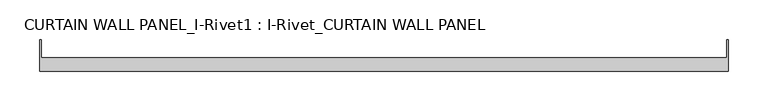
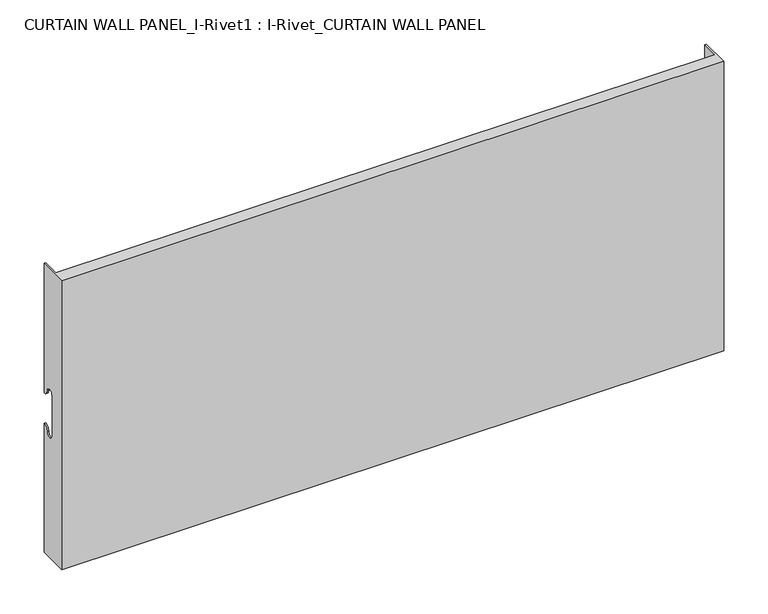
"""IFC4 building model written with IfcOpenShell, lengths in millimetres: plate geometry, CURTAIN WALL PANEL_I-Rivet1 : I-Rivet_CURTAIN WALL PANEL."""

from ifc_helpers import new_model, si_unit, frame, origin, place, context, project, spatial, polyline, circle_curve, source, transform, mapped, element, save
from ifc_brep_helpers import plane_surface, cylinder_surface, revolved_surface, advanced_brep


def curtain_wall_panel_i_rivet1_i_rivet_curtain_wall_panel_86b9c471(model_context):
    return source(origin(), model_context, "Body", "AdvancedBrep", [
        advanced_brep(
        [(-433.5, -85.0, 400.0), (433.5, -85.0, 400.0), (433.5, -45.3384103, 400.0), (431.5, -45.3384103, 400.0), (431.5, -68.0, 400.0), (-431.5, -68.0, 400.0), (-431.5, -45.3384103, 400.0), (-433.5, -45.3384103, 400.0), (-433.5, -85.0, 0.0), (-433.5, -45.3384103, 0.0), (-431.5, -45.3384103, 0.0), (-431.5, -68.0, 0.0), (431.5, -68.0, 0.0), (431.5, -45.3384103, 0.0), (433.5, -45.3384103, 0.0), (433.5, -85.0, 0.0), (-433.5, -45.3384103, 221.0), (-433.5, -52.3384103, 228.0), (-433.5, -63.3384103, 228.0), (-433.5, -63.3384103, 172.0), (-433.5, -52.3384103, 172.0), (-433.5, -45.3384103, 179.0), (-431.5, -45.3384103, 179.0), (-431.5, -45.3384103, 221.0), (431.5, -45.3384103, 179.0), (433.5, -45.3384103, 179.0), (433.5, -45.3384103, 221.0), (431.5, -45.3384103, 221.0), (433.5, -52.3384103, 172.0), (433.5, -63.3384103, 172.0), (433.5, -63.3384103, 228.0), (433.5, -52.3384103, 228.0), (-431.5, -52.3384103, 172.0), (-431.5, -63.3384103, 172.0), (-431.5, -63.3384103, 228.0), (-431.5, -52.3384103, 228.0), (431.5, -52.3384103, 228.0), (431.5, -63.3384103, 228.0), (431.5, -63.3384103, 172.0), (431.5, -52.3384103, 172.0)],
        [
            (0, 1),
            (1, 2),
            (2, 3),
            (3, 4),
            (4, 5),
            (5, 6),
            (6, 7),
            (7, 0),
            (8, 9),
            (9, 10),
            (10, 11),
            (11, 12),
            (12, 13),
            (13, 14),
            (14, 15),
            (15, 8),
            (7, 16),
            (16, 17, circle_curve(frame((-433.5, -45.3384103, 228.0), z_axis=(-1.0, 0.0, 0.0), x_axis=(0.0, -1.0, 0.0)), 7.0)),
            (17, 18, circle_curve(frame((-433.5, -57.8384103, 228.0), z_axis=(1.0, 0.0, 0.0), x_axis=(0.0, -1.0, 0.0)), 5.5)),
            (18, 19),
            (19, 20, circle_curve(frame((-433.5, -57.8384103, 172.0), z_axis=(1.0, 0.0, 0.0), x_axis=(0.0, -1.0, 0.0)), 5.5)),
            (20, 21, circle_curve(frame((-433.5, -45.3384103, 172.0), z_axis=(-1.0, 0.0, 0.0), x_axis=(0.0, -1.0, 0.0)), 7.0)),
            (21, 9),
            (8, 0),
            (21, 22),
            (22, 10),
            (6, 23),
            (23, 16),
            (13, 24),
            (24, 25),
            (25, 14),
            (2, 26),
            (26, 27),
            (27, 3),
            (1, 15),
            (25, 28, circle_curve(frame((433.5, -45.3384103, 172.0), z_axis=(1.0, 0.0, 0.0), x_axis=(0.0, -1.0, 0.0)), 7.0)),
            (28, 29, circle_curve(frame((433.5, -57.8384103, 172.0), z_axis=(-1.0, 0.0, 0.0), x_axis=(0.0, -1.0, 0.0)), 5.5)),
            (29, 30),
            (30, 31, circle_curve(frame((433.5, -57.8384103, 228.0), z_axis=(-1.0, 0.0, 0.0), x_axis=(0.0, -1.0, 0.0)), 5.5)),
            (31, 26, circle_curve(frame((433.5, -45.3384103, 228.0), z_axis=(1.0, 0.0, 0.0), x_axis=(0.0, -1.0, 0.0)), 7.0)),
            (5, 11),
            (22, 32, circle_curve(frame((-431.5, -45.3384103, 172.0), z_axis=(1.0, 0.0, 0.0), x_axis=(0.0, -1.0, 0.0)), 7.0)),
            (32, 33, circle_curve(frame((-431.5, -57.8384103, 172.0), z_axis=(-1.0, 0.0, 0.0), x_axis=(0.0, -1.0, 0.0)), 5.5)),
            (33, 34),
            (34, 35, circle_curve(frame((-431.5, -57.8384103, 228.0), z_axis=(-1.0, 0.0, 0.0), x_axis=(0.0, -1.0, 0.0)), 5.5)),
            (35, 23, circle_curve(frame((-431.5, -45.3384103, 228.0), z_axis=(1.0, 0.0, 0.0), x_axis=(0.0, -1.0, 0.0)), 7.0)),
            (27, 36, circle_curve(frame((431.5, -45.3384103, 228.0), z_axis=(-1.0, 0.0, 0.0), x_axis=(0.0, -1.0, 0.0)), 7.0)),
            (36, 37, circle_curve(frame((431.5, -57.8384103, 228.0), z_axis=(1.0, 0.0, 0.0), x_axis=(0.0, -1.0, 0.0)), 5.5)),
            (37, 38),
            (38, 39, circle_curve(frame((431.5, -57.8384103, 172.0), z_axis=(1.0, 0.0, 0.0), x_axis=(0.0, -1.0, 0.0)), 5.5)),
            (39, 24, circle_curve(frame((431.5, -45.3384103, 172.0), z_axis=(-1.0, 0.0, 0.0), x_axis=(0.0, -1.0, 0.0)), 7.0)),
            (12, 4),
            (29, 38),
            (37, 30),
            (33, 19),
            (18, 34),
            (28, 39),
            (32, 20),
            (35, 17),
            (31, 36),
        ],
        [
            plane_surface(frame((-433.5, -45.3384103, 400.0), z_axis=(0.0, 0.0, 1.0), x_axis=(0.0, 1.0, 0.0))),
            plane_surface(frame((-433.5, -45.3384103, 0.0), z_axis=(0.0, 0.0, -1.0), x_axis=(0.0, -1.0, 0.0))),
            plane_surface(frame((-433.5, -85.0, 400.0), z_axis=(-1.0, 0.0, 0.0), x_axis=(0.0, 0.0, -1.0))),
            plane_surface(frame((-433.5, -45.3384103, 400.0), z_axis=(0.0, 1.0, 0.0), x_axis=(0.0, 0.0, -1.0))),
            plane_surface(frame((431.5, -45.3384103, 400.0), z_axis=(0.0, 1.0, 0.0), x_axis=(0.0, 0.0, -1.0))),
            plane_surface(frame((433.5, -45.3384103, 400.0), z_axis=(1.0, 0.0, 0.0), x_axis=(0.0, 0.0, -1.0))),
            plane_surface(frame((433.5, -85.0, 400.0), z_axis=(0.0, -1.0, 0.0), x_axis=(0.0, 0.0, -1.0))),
            plane_surface(frame((-431.5, -45.3384103, 400.0), z_axis=(1.0, 0.0, 0.0), x_axis=(0.0, 0.0, -1.0))),
            plane_surface(frame((431.5, -68.0, 400.0), z_axis=(-1.0, 0.0, 0.0), x_axis=(0.0, 0.0, -1.0))),
            plane_surface(frame((-432.5, -68.0, 400.0), z_axis=(0.0, 1.0, 0.0), x_axis=(0.0, 0.0, -1.0))),
            plane_surface(frame((-433.5, -63.3384103, 228.0), z_axis=(0.0, 1.0, 0.0), x_axis=(1.0, 0.0, 0.0))),
            revolved_surface(polyline([(431.5, -63.3384103, 172.0), (433.5, -63.3384103, 172.0)]), (-433.5, -57.8384103, 172.0), (-1.0, 0.0, 0.0)),
            revolved_surface(polyline([(-433.5, -63.3384103, 172.0), (-431.5, -63.3384103, 172.0)]), (-433.5, -57.8384103, 172.0), (-1.0, 0.0, 0.0)),
            cylinder_surface(frame((-433.5, -45.3384103, 172.0), z_axis=(1.0, 0.0, 0.0), x_axis=(0.0, -1.0, 0.0)), 7.0),
            cylinder_surface(frame((-433.5, -45.3384103, 228.0), z_axis=(1.0, 0.0, 0.0), x_axis=(0.0, -1.0, 0.0)), 7.0),
            revolved_surface(polyline([(-433.5, -63.3384103, 228.0), (-431.5, -63.3384103, 228.0)]), (-433.5, -57.8384103, 228.0), (-1.0, 0.0, 0.0)),
            revolved_surface(polyline([(431.5, -63.3384103, 228.0), (433.5, -63.3384103, 228.0)]), (-433.5, -57.8384103, 228.0), (-1.0, 0.0, 0.0)),
        ],
        [
            (0, [[1, 2, 3, 4, 5, 6, 7, 8]]),
            (1, [[9, 10, 11, 12, 13, 14, 15, 16]]),
            (2, [[17, 18, 19, 20, 21, 22, 23, -9, 24, -8]]),
            (3, [[-23, 25, 26, -10]]),
            (3, [[27, 28, -17, -7]]),
            (4, [[29, 30, 31, -14]]),
            (4, [[32, 33, 34, -3]]),
            (5, [[35, -15, -31, 36, 37, 38, 39, 40, -32, -2]]),
            (6, [[-24, -16, -35, -1]]),
            (7, [[41, -11, -26, 42, 43, 44, 45, 46, -27, -6]]),
            (8, [[-34, 47, 48, 49, 50, 51, -29, -13, 52, -4]]),
            (9, [[-52, -12, -41, -5]]),
            (10, [[-38, 53, -49, 54]]),
            (10, [[-44, 55, -20, 56]]),
            (11, [[-37, 57, -50, -53]]),
            (12, [[-43, 58, -21, -55]]),
            (13, [[-36, -30, -51, -57]]),
            (13, [[-42, -25, -22, -58]]),
            (14, [[-18, -28, -46, 59]]),
            (14, [[-47, -33, -40, 60]]),
            (15, [[-19, -59, -45, -56]]),
            (16, [[-48, -60, -39, -54]]),
        ],
    ),
    ])


if __name__ == "__main__":
    model = new_model("IFC4")
    model_context = context("Model", 3, world=origin())
    ifc_project = project(units=[si_unit("LENGTHUNIT", "METRE", prefix="MILLI")], contexts=[model_context])
    site = spatial("IfcSite", under=ifc_project)
    building = spatial("IfcBuilding", under=site)
    placement = place(None, origin())
    curtain_wall_panel_i_rivet1_i_rivet_curtain_wall_panel_shape = curtain_wall_panel_i_rivet1_i_rivet_curtain_wall_panel_86b9c471(model_context)
    element("IfcPlate", 1, ObjectType="CURTAIN WALL PANEL_I-Rivet1 : I-Rivet_CURTAIN WALL PANEL", at=placement, inside=building, context=model_context, shape_type="MappedRepresentation", body=[
        mapped(curtain_wall_panel_i_rivet1_i_rivet_curtain_wall_panel_shape, transform((0.0, 0.0, 0.0), x_axis=(1.0, 0.0, 0.0), y_axis=(0.0, 1.0, 0.0), z_axis=(0.0, 0.0, 1.0))),
    ])
    save(model, "model.ifc")
